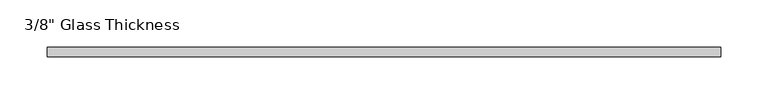
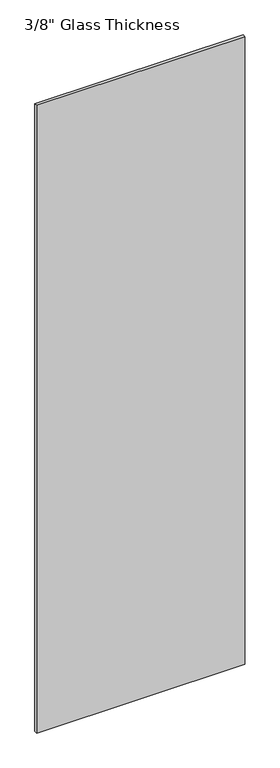
"""IFC4 building model written with IfcOpenShell, lengths in millimetres: plate geometry."""

from ifc_helpers import new_model, si_unit, origin, origin_with_axes, place, context, project, spatial, polyline, outline, extrude, source, transform, mapped, element, save


def plate_24a174db(model_context):
    return source(origin(), model_context, "Body", "SweptSolid", [
        extrude(outline(polyline([(355.5, 0.0), (-355.5, 0.0), (-355.5, 10.0), (355.5, 10.0), (355.5, 0.0)])), origin_with_axes(), (0.0, 0.0, 1.0), 2267.0),
    ])


if __name__ == "__main__":
    model = new_model("IFC4")
    model_context = context("Model", 3, world=origin())
    ifc_project = project(units=[si_unit("LENGTHUNIT", "METRE", prefix="MILLI")], contexts=[model_context])
    site = spatial("IfcSite", under=ifc_project)
    building = spatial("IfcBuilding", under=site)
    placement = place(None, origin())
    plate_shape = plate_24a174db(model_context)
    element("IfcPlate", 1, ObjectType="3/8\" Glass Thickness", at=placement, inside=building, context=model_context, shape_type="MappedRepresentation", body=[
        mapped(plate_shape, transform((0.0, 0.0, 0.0), x_axis=(1.0, 0.0, 0.0), y_axis=(0.0, 1.0, 0.0), z_axis=(0.0, 0.0, 1.0))),
    ])
    save(model, "model.ifc")
